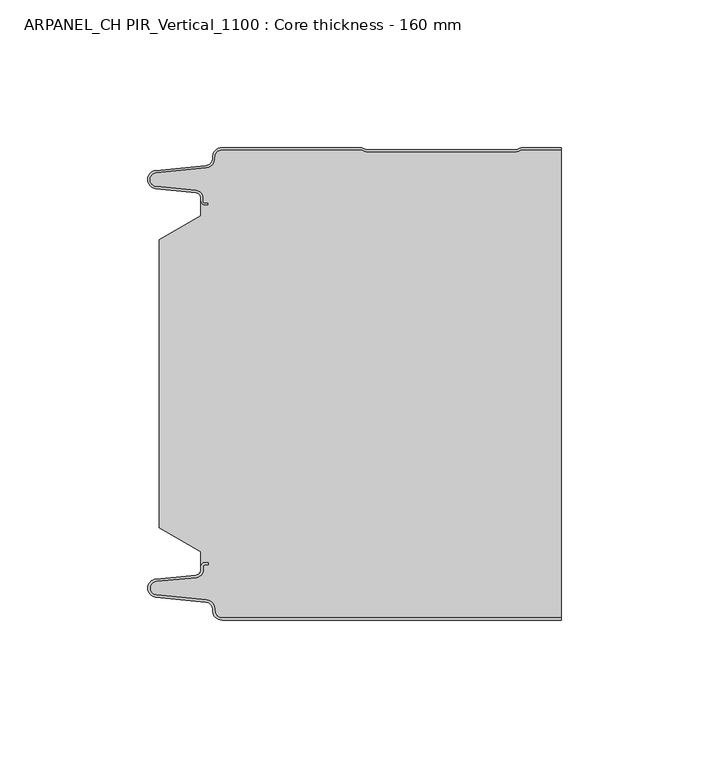
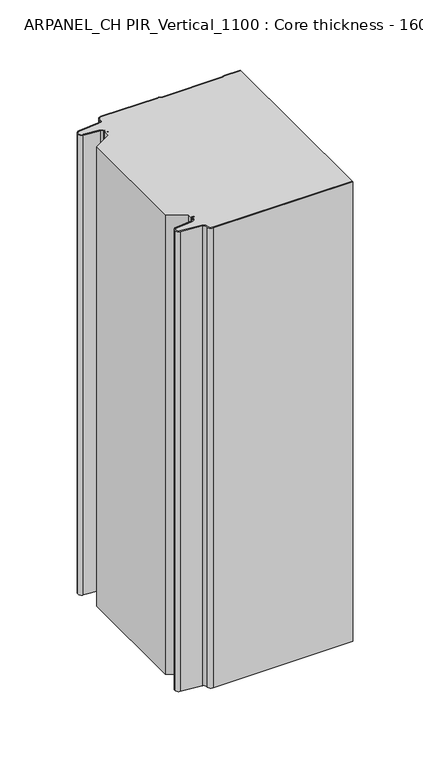
"""IFC4 building model written with IfcOpenShell, lengths in millimetres: plate geometry, ARPANEL_CH PIR_Vertical_1100 : Core thickness - 160 mm."""

import ifcopenshell
import ifcopenshell.guid

model = None  # the IFC model being written
_history = None  # IfcOwnerHistory: only IFC2X3 demands one
_inside = {}  # id of a spatial element -> (the spatial element, [elements in it])
_under = {}  # id of a project, library or spatial element -> (it, [spatial elements below it])
_declared = {}  # id of a project -> (the project, [libraries it declares])
_typed = {}  # id of a type object -> (the type object, [elements of that type])
_made_of = {}  # id of a material, layer set ... -> (it, [elements and type objects made of it])


def new_model(schema):
    """Start an empty IFC model of exactly this schema.

    Asked for "IFC4X3", IfcOpenShell would pick the latest addendum, in which some entities
    have other attributes; the version numbers below select the first issue.
    IFC2X3 requires an IfcOwnerHistory on every rooted entity: one is made here for all.
    """
    global model, _history
    if schema == "IFC4X3":
        model = ifcopenshell.file(schema_version=(4, 3, 0, 0))
    else:
        model = ifcopenshell.file(schema=schema)
    _inside.clear()
    _under.clear()
    _declared.clear()
    _typed.clear()
    _made_of.clear()
    _history = None
    if model.schema == "IFC2X3":
        org = make("IfcOrganization", Name="unknown")
        user = make(
            "IfcPersonAndOrganization",
            ThePerson=make("IfcPerson", FamilyName="unknown"),
            TheOrganization=org,
        )
        app = make(
            "IfcApplication",
            ApplicationDeveloper=org,
            Version="unknown",
            ApplicationFullName="unknown",
            ApplicationIdentifier="unknown",
        )
        _history = make(
            "IfcOwnerHistory",
            OwningUser=user,
            OwningApplication=app,
            ChangeAction="ADDED",
            CreationDate=0,
        )
    return model


def make(cls, **values):
    """One entity of the class cls with the attributes given. An attribute that is None is left unset."""
    return model.create_entity(
        cls, **{name: value for name, value in values.items() if value is not None}
    )


def rooted(cls, **values):
    """An entity with a GlobalId (a new one), such as an element, a storey or a relation."""
    return make(cls, GlobalId=ifcopenshell.guid.new(), OwnerHistory=_history, **values)


def si_unit(unit_type, name, prefix=None):
    """IfcSIUnit, for example si_unit("LENGTHUNIT", "METRE", prefix="MILLI")."""
    return make("IfcSIUnit", UnitType=unit_type, Prefix=prefix, Name=name)


def assignment(units):
    """IfcUnitAssignment: the units of a project."""
    return None if units is None else make("IfcUnitAssignment", Units=units)


def point(xyz):
    """IfcCartesianPoint."""
    return None if xyz is None else make("IfcCartesianPoint", Coordinates=xyz)


def direction(xyz):
    """IfcDirection."""
    return None if xyz is None else make("IfcDirection", DirectionRatios=xyz)


def frame(location, z_axis=None, x_axis=None):
    """IfcAxis2Placement3D, a coordinate frame: its origin and axes. An axis left out is left unset."""
    return make(
        "IfcAxis2Placement3D",
        Location=point(location),
        Axis=direction(z_axis),
        RefDirection=direction(x_axis),
    )


def origin():
    """The frame at (0, 0, 0) with its axes left unset."""
    return frame((0.0, 0.0, 0.0))


def place(relative_to, where):
    """IfcLocalPlacement: puts the frame where relative to a parent placement (None: the world)."""
    return make(
        "IfcLocalPlacement", PlacementRelTo=relative_to, RelativePlacement=where
    )


def context(
    kind, dimensions, precision=None, world=None, true_north=None, identifier=None
):
    """IfcGeometricRepresentationContext, for example the 3D "Model" context."""
    return make(
        "IfcGeometricRepresentationContext",
        ContextIdentifier=identifier,
        ContextType=kind,
        CoordinateSpaceDimension=dimensions,
        Precision=precision,
        WorldCoordinateSystem=world,
        TrueNorth=true_north,
    )


def project(units=None, contexts=None):
    """IfcProject with its units and contexts."""
    return rooted(
        "IfcProject",
        Name="project",
        RepresentationContexts=contexts,
        UnitsInContext=assignment(units),
    )


def spatial(cls, under=None, at=None, **own):
    """A site, building, storey or space (cls), placed at a placement, below another one or the project."""
    s = rooted(cls, ObjectPlacement=at, **own)
    if under is not None:
        _under.setdefault(under.id(), (under, []))[1].append(s)
    return s


def polyline(points):
    """IfcPolyline through the points."""
    return make("IfcPolyline", Points=[point(p) for p in points])


def circle_curve(where, radius):
    """IfcCircle in the frame where."""
    return make("IfcCircle", Position=where, Radius=radius)


def shape(context_of_items, identifier, shape_type, items):
    """IfcShapeRepresentation: the items that make up one representation, for example the "Body"."""
    return make(
        "IfcShapeRepresentation",
        ContextOfItems=context_of_items,
        RepresentationIdentifier=identifier,
        RepresentationType=shape_type,
        Items=items,
    )


def source(mapping_origin, context_of_items, identifier, shape_type, items):
    """IfcRepresentationMap: a shape defined once, which mapped items show again and again."""
    return make(
        "IfcRepresentationMap",
        MappingOrigin=mapping_origin,
        MappedRepresentation=shape(context_of_items, identifier, shape_type, items),
    )


def transform(
    local_origin,
    x_axis=None,
    y_axis=None,
    z_axis=None,
    scale=None,
    scale2=None,
    scale3=None,
    uniform=True,
):
    """IfcCartesianTransformationOperator3D, or its non-uniform kind. x_axis, y_axis, z_axis: its Axis1, 2, 3."""
    if uniform:
        return make(
            "IfcCartesianTransformationOperator3D",
            Axis1=direction(x_axis),
            Axis2=direction(y_axis),
            LocalOrigin=point(local_origin),
            Scale=scale,
            Axis3=direction(z_axis),
        )
    return make(
        "IfcCartesianTransformationOperator3DnonUniform",
        Axis1=direction(x_axis),
        Axis2=direction(y_axis),
        LocalOrigin=point(local_origin),
        Scale=scale,
        Axis3=direction(z_axis),
        Scale2=scale2,
        Scale3=scale3,
    )


def mapped(mapping_source, mapping_target):
    """IfcMappedItem: shows the shape of a source again, moved by a transform."""
    return make(
        "IfcMappedItem", MappingSource=mapping_source, MappingTarget=mapping_target
    )


def made_of(thing, what):
    """Note that an element or type object is made of a material, layer set ...; save() writes the relation."""
    if what is not None:
        _made_of.setdefault(what.id(), (what, []))[1].append(thing)
    return thing


def element(
    cls,
    number,
    at=None,
    inside=None,
    cuts=None,
    type_object=None,
    material=None,
    context=None,
    identifier="Body",
    shape_type=None,
    held_by="IfcProductDefinitionShape",
    body=None,
    shapes=None,
    **own,
):
    """One element of the class cls, such as IfcWall. Its Tag is "e" and its number.

    at: its placement. inside: the storey or other place that contains it. cuts: it is an
    opening in that element (IfcRelVoidsElement). A single representation is given by context,
    identifier, shape_type and body (its items); several are given by shapes. held_by: the class
    of the entity that holds the representations. save() writes the other relations.
    """
    e = rooted(cls, Tag="e%d" % number, ObjectPlacement=at, **own)
    if body is not None:
        shapes = [shape(context, identifier, shape_type, body)]
    if shapes is not None:
        e.Representation = make(held_by, Representations=shapes)
    if inside is not None:
        _inside.setdefault(inside.id(), (inside, []))[1].append(e)
    if cuts is not None:
        rooted(
            "IfcRelVoidsElement", RelatingBuildingElement=cuts, RelatedOpeningElement=e
        )
    if type_object is not None:
        _typed.setdefault(type_object.id(), (type_object, []))[1].append(e)
    return made_of(e, material)


def aggregate(whole, parts):
    """IfcRelAggregates: a whole, such as a stair, and the parts it consists of."""
    return rooted("IfcRelAggregates", RelatingObject=whole, RelatedObjects=parts)


def save(model, path):
    """Write the relations noted so far, then the file.

    IfcRelAggregates (storeys below a building ...), IfcRelContainedInSpatialStructure (elements
    in a storey), IfcRelDefinesByType, IfcRelAssociatesMaterial and IfcRelDeclares: one each for
    every whole, place, type object, material and project.
    """
    for whole, parts in _under.values():
        aggregate(whole, parts)
    for where, things in _inside.values():
        rooted(
            "IfcRelContainedInSpatialStructure",
            RelatedElements=things,
            RelatingStructure=where,
        )
    for kind, things in _typed.values():
        rooted("IfcRelDefinesByType", RelatedObjects=things, RelatingType=kind)
    for what, things in _made_of.values():
        rooted("IfcRelAssociatesMaterial", RelatedObjects=things, RelatingMaterial=what)
    for by, libraries in _declared.values():
        rooted("IfcRelDeclares", RelatingContext=by, RelatedDefinitions=libraries)
    model.write(path)


def plane_surface(at):
    """IfcPlane: the flat surface through the origin of the frame at, square to its z axis."""
    return make("IfcPlane", Position=at)


def cylinder_surface(at, radius):
    """IfcCylindricalSurface: all points at the distance radius from the z axis of the frame at."""
    return make("IfcCylindricalSurface", Position=at, Radius=radius)


def revolved_surface(curve, axis_point, axis_direction):
    """IfcSurfaceOfRevolution: the curve turned about the line through axis_point along axis_direction."""
    return make(
        "IfcSurfaceOfRevolution",
        SweptCurve=make("IfcArbitraryOpenProfileDef", ProfileType="CURVE", Curve=curve),
        AxisPosition=make("IfcAxis1Placement", Location=point(axis_point), Axis=direction(axis_direction)),
    )


def advanced_brep(points, edges, surfaces, faces):
    """IfcAdvancedBrep: a solid bounded by faces that lie on surfaces and meet in shared edges.

    An edge is (start, end): straight between two places in points (the first is 0);
    or (start, end, curve); or (start, end, curve, False) where it runs against its curve.
    A face is (place in surfaces, loops), or (place, loops, False) where it looks against
    its surface's normal. A loop lists edges by number (the first is 1), with a minus sign
    where the edge is run from its end to its start. The first loop is the outer one.
    """
    corners = [point(p) for p in points]
    vertices = [make("IfcVertexPoint", VertexGeometry=c) for c in corners]
    made = []
    for start, end, *more in edges:
        made.append(
            make(
                "IfcEdgeCurve",
                EdgeStart=vertices[start],
                EdgeEnd=vertices[end],
                EdgeGeometry=more[0] if more else make("IfcPolyline", Points=[corners[start], corners[end]]),
                SameSense=more[1] if len(more) > 1 else True,
            )
        )
    hull = []
    for where, loops, *sense in faces:
        bounds = []
        for j, loop in enumerate(loops):
            ring = [make("IfcOrientedEdge", EdgeElement=made[abs(k) - 1], Orientation=k > 0) for k in loop]
            bounds.append(
                make(
                    "IfcFaceOuterBound" if j == 0 else "IfcFaceBound",
                    Bound=make("IfcEdgeLoop", EdgeList=ring),
                    Orientation=True,
                )
            )
        hull.append(make("IfcAdvancedFace", Bounds=bounds, FaceSurface=surfaces[where], SameSense=sense[0] if sense else True))
    return make("IfcAdvancedBrep", Outer=make("IfcClosedShell", CfsFaces=hull))


def arpanel_ch_pir_vertical_1100_core_thickness_160_mm_b339f957(model_context):
    return source(origin(), model_context, "Body", "AdvancedBrep", [
        advanced_brep(
        [(-44.8000003, -159.9996949, 0.0), (-47.9923632, -156.5787437, 0.0), (-50.2560431, -153.9171154, 0.0), (-67.2115315, -152.2546153, 0.0), (-69.9999998, -149.1776715, 0.0), (-67.2115315, -146.1007278, 0.0), (-53.6195785, -144.7680252, 0.0), (-51.9952277, -142.9766159, 0.0), (-51.9952277, -141.8996949, 0.0), (-50.5952277, -140.4996949, 0.0), (-49.4952277, -140.4996949, 0.0), (-49.4952277, -141.2996949, 0.0), (-50.5952277, -141.2996949, 0.0), (-51.1952277, -141.8996949, 0.0), (-51.1952277, -142.9766159, 0.0), (-53.5415122, -145.5642071, 0.0), (-67.1334652, -146.8969097, 0.0), (-69.1999997, -149.1776715, 0.0), (-67.1334652, -151.4584333, 0.0), (-50.1779767, -153.1209335, 0.0), (-47.2078761, -156.6330399, 0.0), (-44.8000003, -159.1996949, 0.0), (69.9999998, -159.2, 0.0), (69.9999998, -159.9996949, 0.0), (-44.8000003, -159.1996949, 400.0), (-47.1942724, -156.6339815, 400.0), (-50.1779767, -153.1209335, 400.0), (-67.1334652, -151.4584333, 400.0), (-69.1999997, -149.1776715, 400.0), (-67.1334652, -146.8969097, 400.0), (-53.5415122, -145.5642071, 400.0), (-51.1952277, -142.9766159, 400.0), (-51.1952277, -141.8996949, 400.0), (-50.5952277, -141.2996949, 400.0), (-49.4952277, -141.2996949, 400.0), (-49.4952277, -140.4996949, 400.0), (-50.5952277, -140.4996949, 400.0), (-51.9952277, -141.8996949, 400.0), (-51.9952277, -142.9766159, 400.0), (-53.6195785, -144.7680252, 400.0), (-67.2115315, -146.1007278, 400.0), (-69.9999998, -149.1776715, 400.0), (-67.2115315, -152.2546153, 400.0), (-50.2560431, -153.9171154, 400.0), (-48.0059668, -156.5778021, 400.0), (-44.8000003, -159.9996949, 400.0), (69.9999998, -159.9996949, 400.0), (69.9999998, -159.2, 400.0)],
        [
            (0, 1, circle_curve(frame((-44.8000003, -156.7996949, 0.0), z_axis=(0.0, 0.0, -1.0), x_axis=(1.0, 0.0, 0.0)), 3.2)),
            (1, 2, circle_curve(frame((-50.5000003, -156.4051839, 0.0), z_axis=(0.0, 0.0, 1.0), x_axis=(1.0, 0.0, 0.0)), 2.5)),
            (2, 3),
            (3, 4, circle_curve(frame((-66.9100003, -149.1793626, 0.0), z_axis=(0.0, 0.0, -1.0), x_axis=(1.0, 0.0, 0.0)), 3.09)),
            (4, 5, circle_curve(frame((-66.9100003, -149.1759805, 0.0), z_axis=(0.0, 0.0, -1.0), x_axis=(1.0, 0.0, 0.0)), 3.09)),
            (5, 6),
            (6, 7, circle_curve(frame((-53.7952277, -142.9766159, 0.0), z_axis=(0.0, 0.0, 1.0), x_axis=(1.0, 0.0, 0.0)), 1.8)),
            (7, 8),
            (8, 9, circle_curve(frame((-50.5952277, -141.8996949, 0.0), z_axis=(0.0, 0.0, -1.0), x_axis=(1.0, 0.0, 0.0)), 1.4)),
            (9, 10),
            (10, 11),
            (11, 12),
            (12, 13, circle_curve(frame((-50.5952277, -141.8996949, 0.0), z_axis=(0.0, 0.0, 1.0), x_axis=(1.0, 0.0, 0.0)), 0.6)),
            (13, 14),
            (14, 15, circle_curve(frame((-53.7952277, -142.9766159, 0.0), z_axis=(0.0, 0.0, -1.0), x_axis=(1.0, 0.0, 0.0)), 2.6)),
            (15, 16),
            (16, 17, circle_curve(frame((-66.9100003, -149.1759805, 0.0), z_axis=(0.0, 0.0, 1.0), x_axis=(1.0, 0.0, 0.0)), 2.29)),
            (17, 18, circle_curve(frame((-66.9100003, -149.1793626, 0.0), z_axis=(0.0, 0.0, 1.0), x_axis=(1.0, 0.0, 0.0)), 2.29)),
            (18, 19),
            (19, 20, circle_curve(frame((-50.5000003, -156.4051839, 0.0), z_axis=(0.0, 0.0, -1.0), x_axis=(1.0, 0.0, 0.0)), 3.3)),
            (20, 21, circle_curve(frame((-44.8000003, -156.7996949, 0.0), z_axis=(0.0, 0.0, 1.0), x_axis=(1.0, 0.0, 0.0)), 2.4)),
            (21, 22),
            (22, 23),
            (23, 0),
            (24, 25, circle_curve(frame((-44.8000003, -156.7996949, 400.0), z_axis=(0.0, 0.0, -1.0), x_axis=(1.0, 0.0, 0.0)), 2.4)),
            (25, 26, circle_curve(frame((-50.5000003, -156.4051839, 400.0), z_axis=(0.0, 0.0, 1.0), x_axis=(1.0, 0.0, 0.0)), 3.3)),
            (26, 27),
            (27, 28, circle_curve(frame((-66.9100003, -149.1793626, 400.0), z_axis=(0.0, 0.0, -1.0), x_axis=(1.0, 0.0, 0.0)), 2.29)),
            (28, 29, circle_curve(frame((-66.9100003, -149.1759805, 400.0), z_axis=(0.0, 0.0, -1.0), x_axis=(1.0, 0.0, 0.0)), 2.29)),
            (29, 30),
            (30, 31, circle_curve(frame((-53.7952277, -142.9766159, 400.0), z_axis=(0.0, 0.0, 1.0), x_axis=(1.0, 0.0, 0.0)), 2.6)),
            (31, 32),
            (32, 33, circle_curve(frame((-50.5952277, -141.8996949, 400.0), z_axis=(0.0, 0.0, -1.0), x_axis=(1.0, 0.0, 0.0)), 0.6)),
            (33, 34),
            (34, 35),
            (35, 36),
            (36, 37, circle_curve(frame((-50.5952277, -141.8996949, 400.0), z_axis=(0.0, 0.0, 1.0), x_axis=(1.0, 0.0, 0.0)), 1.4)),
            (37, 38),
            (38, 39, circle_curve(frame((-53.7952277, -142.9766159, 400.0), z_axis=(0.0, 0.0, -1.0), x_axis=(1.0, 0.0, 0.0)), 1.8)),
            (39, 40),
            (40, 41, circle_curve(frame((-66.9100003, -149.1759805, 400.0), z_axis=(0.0, 0.0, 1.0), x_axis=(1.0, 0.0, 0.0)), 3.09)),
            (41, 42, circle_curve(frame((-66.9100003, -149.1793626, 400.0), z_axis=(0.0, 0.0, 1.0), x_axis=(1.0, 0.0, 0.0)), 3.09)),
            (42, 43),
            (43, 44, circle_curve(frame((-50.5000003, -156.4051839, 400.0), z_axis=(0.0, 0.0, -1.0), x_axis=(1.0, 0.0, 0.0)), 2.5)),
            (44, 45, circle_curve(frame((-44.8000003, -156.7996949, 400.0), z_axis=(0.0, 0.0, 1.0), x_axis=(1.0, 0.0, 0.0)), 3.2)),
            (45, 46),
            (46, 47),
            (47, 24),
            (21, 24),
            (47, 22),
            (20, 25),
            (19, 26),
            (18, 27),
            (17, 28),
            (16, 29),
            (15, 30),
            (14, 31),
            (13, 32),
            (12, 33),
            (11, 34),
            (10, 35),
            (9, 36),
            (8, 37),
            (7, 38),
            (6, 39),
            (5, 40),
            (4, 41),
            (3, 42),
            (2, 43),
            (1, 44),
            (0, 45),
            (23, 46),
        ],
        [
            plane_surface(frame((-69.9999998, -160.0, 0.0), z_axis=(0.0, 0.0, -1.0), x_axis=(0.0, 1.0, 0.0))),
            plane_surface(frame((-69.9999998, -160.0, 400.0), z_axis=(0.0, 0.0, 1.0), x_axis=(0.0, 1.0, 0.0))),
            plane_surface(frame((-44.8000003, -159.2, 0.0), z_axis=(0.0, 1.0, 0.0), x_axis=(0.0, 0.0, 1.0))),
            revolved_surface(polyline([(-42.4000003, -156.7996949, 400.0), (-42.4000003, -156.7996949, 0.0)]), (-44.8000003, -156.7996949, 0.0), (0.0, 0.0, 1.0)),
            cylinder_surface(frame((-50.5000003, -156.4051839, 0.0), z_axis=(0.0, 0.0, -1.0), x_axis=(1.0, 0.0, 0.0)), 3.3),
            plane_surface(frame((-67.1334652, -151.4584333, 0.0), z_axis=(0.09758289975914758, 0.9952273999818314, 0.0), x_axis=(0.0, 0.0, 1.0))),
            revolved_surface(polyline([(-64.62000029999999, -149.1793626, 400.0), (-64.62000029999999, -149.1793626, 0.0)]), (-66.9100003, -149.1793626, 0.0), (0.0, 0.0, 1.0)),
            revolved_surface(polyline([(-64.62000029999999, -149.1759805, 400.0), (-64.62000029999999, -149.1759805, 0.0)]), (-66.9100003, -149.1759805, 0.0), (0.0, 0.0, 1.0)),
            plane_surface(frame((-53.5415122, -145.5642071, 0.0), z_axis=(0.09758289975914383, -0.9952273999818317, 0.0), x_axis=(0.0, 0.0, 1.0))),
            cylinder_surface(frame((-53.7952277, -142.9766159, 0.0), z_axis=(0.0, 0.0, -1.0), x_axis=(1.0, 0.0, 0.0)), 2.6),
            plane_surface(frame((-51.1952277, -141.8996949, 0.0), z_axis=(1.0, 0.0, 0.0), x_axis=(0.0, 0.0, 1.0))),
            revolved_surface(polyline([(-49.9952277, -141.8996949, 400.0), (-49.9952277, -141.8996949, 0.0)]), (-50.5952277, -141.8996949, 0.0), (0.0, 0.0, 1.0)),
            plane_surface(frame((-49.4952277, -141.2996949, 0.0), z_axis=(0.0, -1.0, 0.0), x_axis=(0.0, 0.0, 1.0))),
            plane_surface(frame((-49.4952277, -140.4996949, 0.0), z_axis=(1.0, 0.0, 0.0), x_axis=(0.0, 0.0, 1.0))),
            plane_surface(frame((-50.5952277, -140.4996949, 0.0), z_axis=(0.0, 1.0, 0.0), x_axis=(0.0, 0.0, 1.0))),
            cylinder_surface(frame((-50.5952277, -141.8996949, 0.0), z_axis=(0.0, 0.0, -1.0), x_axis=(1.0, 0.0, 0.0)), 1.4),
            plane_surface(frame((-51.9952277, -142.9766159, 0.0), z_axis=(-1.0, 0.0, 0.0), x_axis=(0.0, 0.0, 1.0))),
            revolved_surface(polyline([(-51.9952277, -142.9766159, 400.0), (-51.9952277, -142.9766159, 0.0)]), (-53.7952277, -142.9766159, 0.0), (0.0, 0.0, 1.0)),
            plane_surface(frame((-67.2115315, -146.1007278, 0.0), z_axis=(-0.09758289975914387, 0.9952273999818317, 0.0), x_axis=(0.0, 0.0, 1.0))),
            cylinder_surface(frame((-66.9100003, -149.1759805, 0.0), z_axis=(0.0, 0.0, -1.0), x_axis=(1.0, 0.0, 0.0)), 3.09),
            cylinder_surface(frame((-66.9100003, -149.1793626, 0.0), z_axis=(0.0, 0.0, -1.0), x_axis=(1.0, 0.0, 0.0)), 3.09),
            plane_surface(frame((-50.2560431, -153.9171154, 0.0), z_axis=(-0.09758289975914762, -0.9952273999818314, 0.0), x_axis=(0.0, 0.0, 1.0))),
            revolved_surface(polyline([(-48.0000003, -156.4051839, 400.0), (-48.0000003, -156.4051839, 0.0)]), (-50.5000003, -156.4051839, 0.0), (0.0, 0.0, 1.0)),
            cylinder_surface(frame((-44.8000003, -156.7996949, 0.0), z_axis=(0.0, 0.0, -1.0), x_axis=(1.0, 0.0, 0.0)), 3.2),
            plane_surface(frame((1046.009932, -159.9996949, 0.0), z_axis=(0.0, -1.0, 0.0), x_axis=(0.0, 0.0, 1.0))),
            plane_surface(frame((69.9999998, 180.0, 400.0), z_axis=(1.0, 0.0, 0.0), x_axis=(0.0, 0.0, -1.0))),
        ],
        [
            (0, [[1, 2, 3, 4, 5, 6, 7, 8, 9, 10, 11, 12, 13, 14, 15, 16, 17, 18, 19, 20, 21, 22, 23, 24]]),
            (1, [[25, 26, 27, 28, 29, 30, 31, 32, 33, 34, 35, 36, 37, 38, 39, 40, 41, 42, 43, 44, 45, 46, 47, 48]]),
            (2, [[49, -48, 50, -22]]),
            (3, [[-21, 51, -25, -49]]),
            (4, [[-20, 52, -26, -51]]),
            (5, [[-19, 53, -27, -52]]),
            (6, [[-18, 54, -28, -53]]),
            (7, [[-17, 55, -29, -54]]),
            (8, [[-16, 56, -30, -55]]),
            (9, [[-15, 57, -31, -56]]),
            (10, [[-14, 58, -32, -57]]),
            (11, [[-13, 59, -33, -58]]),
            (12, [[-12, 60, -34, -59]]),
            (13, [[-11, 61, -35, -60]]),
            (14, [[-10, 62, -36, -61]]),
            (15, [[-9, 63, -37, -62]]),
            (16, [[-8, 64, -38, -63]]),
            (17, [[-7, 65, -39, -64]]),
            (18, [[-6, 66, -40, -65]]),
            (19, [[-5, 67, -41, -66]]),
            (20, [[-4, 68, -42, -67]]),
            (21, [[-3, 69, -43, -68]]),
            (22, [[-2, 70, -44, -69]]),
            (23, [[-1, 71, -45, -70]]),
            (24, [[-71, -24, 72, -46]]),
            (25, [[-23, -50, -47, -72]]),
        ],
    ),
        advanced_brep(
        [(-51.9952277, -23.1062917, 400.0), (-66.0446509, -31.1628062, 400.0), (-66.0446509, -128.7531937, 400.0), (-51.9952277, -136.8937083, 400.0), (-51.9952277, -140.4996949, 400.0), (-51.9952277, -141.8996949, 400.0), (-50.5952277, -140.4996949, 400.0), (-49.4952277, -140.4996949, 400.0), (-49.4952277, -141.2996949, 400.0), (-50.5952277, -141.2996949, 400.0), (-51.1952277, -141.8996949, 400.0), (-51.1952277, -142.9766159, 400.0), (-53.5415122, -145.5642071, 400.0), (-67.1334652, -146.8969097, 400.0), (-69.1999997, -149.1776715, 400.0), (-67.1334652, -151.4584333, 400.0), (-50.1779767, -153.1209335, 400.0), (-47.2078761, -156.6330399, 400.0), (-44.8000003, -159.1996949, 400.0), (69.9999998, -159.2, 400.0), (69.9999998, -0.8, 400.0), (57.0487965, -0.8, 400.0), (55.9973806, -1.0986697, 400.0), (54.5769997, -1.5003051, 400.0), (4.4172165, -1.5003051, 400.0), (2.9978051, -1.0971009, 400.0), (1.9454197, -0.8, 400.0), (-44.8000003, -0.8, 400.0), (-47.1942724, -3.3660185, 400.0), (-50.1779767, -6.8790665, 400.0), (-67.1334652, -8.5415667, 400.0), (-69.1999997, -10.8223285, 400.0), (-67.1334652, -13.1030903, 400.0), (-53.5415122, -14.4357929, 400.0), (-51.1952277, -17.0233841, 400.0), (-51.1952277, -18.1003051, 400.0), (-50.5952277, -18.7003051, 400.0), (-49.4952277, -18.7003051, 400.0), (-49.4952277, -19.5003051, 400.0), (-50.5952277, -19.5003051, 400.0), (-51.9952277, -18.1003051, 400.0), (-51.9952277, -19.5003051, 400.0), (-51.9952277, -136.8937083, 0.0), (-66.0446509, -128.7531937, 0.0), (-66.0446509, -31.1628062, 0.0), (-51.9952277, -23.1062917, 0.0), (-51.9952277, -19.5003051, 0.0), (-51.9952277, -18.1003051, 0.0), (-50.5952277, -19.5003051, 0.0), (-49.4952277, -19.5003051, 0.0), (-49.4952277, -18.7003051, 0.0), (-50.5952277, -18.7003051, 0.0), (-51.1952277, -18.1003051, 0.0), (-51.1952277, -17.0233841, 0.0), (-53.5415122, -14.4357929, 0.0), (-67.1334652, -13.1030903, 0.0), (-69.1999997, -10.8223285, 0.0), (-67.1334652, -8.5415667, 0.0), (-50.1779767, -6.8790665, 0.0), (-47.2078761, -3.3669601, 0.0), (-44.8000003, -0.8003051, 0.0), (1.9454197, -0.8, 0.0), (2.9968355, -1.0986697, 0.0), (4.4172165, -1.5003051, 0.0), (54.5769997, -1.5003051, 0.0), (55.9964111, -1.0971009, 0.0), (57.0487965, -0.8, 0.0), (69.9999998, -0.8, 0.0), (69.9999998, -159.2, 0.0), (-44.8000003, -159.2, 0.0), (-47.1942724, -156.6339815, 0.0), (-50.1779767, -153.1209335, 0.0), (-67.1334652, -151.4584333, 0.0), (-69.1999997, -149.1776715, 0.0), (-67.1334652, -146.8969097, 0.0), (-53.5415122, -145.5642071, 0.0), (-51.1952277, -142.9766159, 0.0), (-51.1952277, -141.8996949, 0.0), (-50.5952277, -141.2996949, 0.0), (-49.4952277, -141.2996949, 0.0), (-49.4952277, -140.4996949, 0.0), (-50.5952277, -140.4996949, 0.0), (-51.9952277, -141.8996949, 0.0), (-51.9952277, -140.4996949, 0.0)],
        [
            (0, 1),
            (1, 2),
            (2, 3),
            (3, 4),
            (4, 5),
            (5, 6, circle_curve(frame((-50.5952277, -141.8996949, 400.0), z_axis=(0.0, 0.0, -1.0), x_axis=(1.0, 0.0, 0.0)), 1.4)),
            (6, 7),
            (7, 8),
            (8, 9),
            (9, 10, circle_curve(frame((-50.5952277, -141.8996949, 400.0), z_axis=(0.0, 0.0, 1.0), x_axis=(1.0, 0.0, 0.0)), 0.6)),
            (10, 11),
            (11, 12, circle_curve(frame((-53.7952277, -142.9766159, 400.0), z_axis=(0.0, 0.0, -1.0), x_axis=(1.0, 0.0, 0.0)), 2.6)),
            (12, 13),
            (13, 14, circle_curve(frame((-66.9100003, -149.1759805, 400.0), z_axis=(0.0, 0.0, 1.0), x_axis=(1.0, 0.0, 0.0)), 2.29)),
            (14, 15, circle_curve(frame((-66.9100003, -149.1793626, 400.0), z_axis=(0.0, 0.0, 1.0), x_axis=(1.0, 0.0, 0.0)), 2.29)),
            (15, 16),
            (16, 17, circle_curve(frame((-50.5000003, -156.4051839, 400.0), z_axis=(0.0, 0.0, -1.0), x_axis=(1.0, 0.0, 0.0)), 3.3)),
            (17, 18, circle_curve(frame((-44.8000003, -156.7996949, 400.0), z_axis=(0.0, 0.0, 1.0), x_axis=(1.0, 0.0, 0.0)), 2.4)),
            (18, 19),
            (19, 20),
            (20, 21),
            (21, 22, circle_curve(frame((57.0487965, -2.8, 400.0), z_axis=(0.0, 0.0, 1.0), x_axis=(1.0, 0.0, 0.0)), 2.0)),
            (22, 23, circle_curve(frame((54.5769997, 1.1996949, 400.0), z_axis=(0.0, 0.0, -1.0), x_axis=(1.0, 0.0, 0.0)), 2.7)),
            (23, 24),
            (24, 25, circle_curve(frame((4.4172165, 1.1996949, 400.0), z_axis=(0.0, 0.0, -1.0), x_axis=(1.0, 0.0, 0.0)), 2.7)),
            (25, 26, circle_curve(frame((1.9454197, -2.8, 400.0), z_axis=(0.0, 0.0, 1.0), x_axis=(1.0, 0.0, 0.0)), 2.0)),
            (26, 27),
            (27, 28, circle_curve(frame((-44.8000003, -3.2003051, 400.0), z_axis=(0.0, 0.0, 1.0), x_axis=(1.0, 0.0, 0.0)), 2.4)),
            (28, 29, circle_curve(frame((-50.5000003, -3.5948161, 400.0), z_axis=(0.0, 0.0, -1.0), x_axis=(1.0, 0.0, 0.0)), 3.3)),
            (29, 30),
            (30, 31, circle_curve(frame((-66.9100003, -10.8206374, 400.0), z_axis=(0.0, 0.0, 1.0), x_axis=(1.0, 0.0, 0.0)), 2.29)),
            (31, 32, circle_curve(frame((-66.9100003, -10.8240195, 400.0), z_axis=(0.0, 0.0, 1.0), x_axis=(1.0, 0.0, 0.0)), 2.29)),
            (32, 33),
            (33, 34, circle_curve(frame((-53.7952277, -17.0233841, 400.0), z_axis=(0.0, 0.0, -1.0), x_axis=(1.0, 0.0, 0.0)), 2.6)),
            (34, 35),
            (35, 36, circle_curve(frame((-50.5952277, -18.1003051, 400.0), z_axis=(0.0, 0.0, 1.0), x_axis=(1.0, 0.0, 0.0)), 0.6)),
            (36, 37),
            (37, 38),
            (38, 39),
            (39, 40, circle_curve(frame((-50.5952277, -18.1003051, 400.0), z_axis=(0.0, 0.0, -1.0), x_axis=(1.0, 0.0, 0.0)), 1.4)),
            (40, 41),
            (41, 0),
            (42, 43),
            (43, 44),
            (44, 45),
            (45, 46),
            (46, 47),
            (47, 48, circle_curve(frame((-50.5952277, -18.1003051, 0.0), z_axis=(0.0, 0.0, 1.0), x_axis=(1.0, 0.0, 0.0)), 1.4)),
            (48, 49),
            (49, 50),
            (50, 51),
            (51, 52, circle_curve(frame((-50.5952277, -18.1003051, 0.0), z_axis=(0.0, 0.0, -1.0), x_axis=(1.0, 0.0, 0.0)), 0.6)),
            (52, 53),
            (53, 54, circle_curve(frame((-53.7952277, -17.0233841, 0.0), z_axis=(0.0, 0.0, 1.0), x_axis=(1.0, 0.0, 0.0)), 2.6)),
            (54, 55),
            (55, 56, circle_curve(frame((-66.9100003, -10.8240195, 0.0), z_axis=(0.0, 0.0, -1.0), x_axis=(1.0, 0.0, 0.0)), 2.29)),
            (56, 57, circle_curve(frame((-66.9100003, -10.8206374, 0.0), z_axis=(0.0, 0.0, -1.0), x_axis=(1.0, 0.0, 0.0)), 2.29)),
            (57, 58),
            (58, 59, circle_curve(frame((-50.5000003, -3.5948161, 0.0), z_axis=(0.0, 0.0, 1.0), x_axis=(1.0, 0.0, 0.0)), 3.3)),
            (59, 60, circle_curve(frame((-44.8000003, -3.2003051, 0.0), z_axis=(0.0, 0.0, -1.0), x_axis=(1.0, 0.0, 0.0)), 2.4)),
            (60, 61),
            (61, 62, circle_curve(frame((1.9454197, -2.8, 0.0), z_axis=(0.0, 0.0, -1.0), x_axis=(1.0, 0.0, 0.0)), 2.0)),
            (62, 63, circle_curve(frame((4.4172165, 1.1996949, 0.0), z_axis=(0.0, 0.0, 1.0), x_axis=(1.0, 0.0, 0.0)), 2.7)),
            (63, 64),
            (64, 65, circle_curve(frame((54.5769997, 1.1996949, 0.0), z_axis=(0.0, 0.0, 1.0), x_axis=(1.0, 0.0, 0.0)), 2.7)),
            (65, 66, circle_curve(frame((57.0487965, -2.8, 0.0), z_axis=(0.0, 0.0, -1.0), x_axis=(1.0, 0.0, 0.0)), 2.0)),
            (66, 67),
            (67, 68),
            (68, 69),
            (69, 70, circle_curve(frame((-44.8000003, -156.7996949, 0.0), z_axis=(0.0, 0.0, -1.0), x_axis=(1.0, 0.0, 0.0)), 2.4)),
            (70, 71, circle_curve(frame((-50.5000003, -156.4051839, 0.0), z_axis=(0.0, 0.0, 1.0), x_axis=(1.0, 0.0, 0.0)), 3.3)),
            (71, 72),
            (72, 73, circle_curve(frame((-66.9100003, -149.1793626, 0.0), z_axis=(0.0, 0.0, -1.0), x_axis=(1.0, 0.0, 0.0)), 2.29)),
            (73, 74, circle_curve(frame((-66.9100003, -149.1759805, 0.0), z_axis=(0.0, 0.0, -1.0), x_axis=(1.0, 0.0, 0.0)), 2.29)),
            (74, 75),
            (75, 76, circle_curve(frame((-53.7952277, -142.9766159, 0.0), z_axis=(0.0, 0.0, 1.0), x_axis=(1.0, 0.0, 0.0)), 2.6)),
            (76, 77),
            (77, 78, circle_curve(frame((-50.5952277, -141.8996949, 0.0), z_axis=(0.0, 0.0, -1.0), x_axis=(1.0, 0.0, 0.0)), 0.6)),
            (78, 79),
            (79, 80),
            (80, 81),
            (81, 82, circle_curve(frame((-50.5952277, -141.8996949, 0.0), z_axis=(0.0, 0.0, 1.0), x_axis=(1.0, 0.0, 0.0)), 1.4)),
            (82, 83),
            (83, 42),
            (45, 0),
            (40, 47),
            (1, 44),
            (43, 2),
            (42, 3),
            (82, 5),
            (18, 69),
            (68, 19),
            (17, 70),
            (16, 71),
            (15, 72),
            (14, 73),
            (13, 74),
            (12, 75),
            (11, 76),
            (10, 77),
            (9, 78),
            (8, 79),
            (7, 80),
            (6, 81),
            (60, 27),
            (26, 61),
            (25, 62),
            (24, 63),
            (23, 64),
            (22, 65),
            (21, 66),
            (20, 67),
            (39, 48),
            (38, 49),
            (37, 50),
            (36, 51),
            (35, 52),
            (34, 53),
            (33, 54),
            (32, 55),
            (31, 56),
            (30, 57),
            (29, 58),
            (28, 59),
        ],
        [
            plane_surface(frame((-69.9999998, 0.0, 400.0), z_axis=(0.0, 0.0, 1.0), x_axis=(0.0, -1.0, 0.0))),
            plane_surface(frame((-69.9999998, 0.0, 0.0), z_axis=(0.0, 0.0, -1.0), x_axis=(0.0, -1.0, 0.0))),
            plane_surface(frame((-51.9952277, -17.0229218, 400.0), z_axis=(-1.0, 0.0, 0.0), x_axis=(0.0, 0.0, -1.0))),
            plane_surface(frame((-66.0446509, -31.1628062, 400.0), z_axis=(-1.0, 0.0, 0.0), x_axis=(0.0, 0.0, -1.0))),
            plane_surface(frame((-51.9952277, -23.1062917, 400.0), z_axis=(-0.4974543664933155, 0.8674901459133322, 0.0), x_axis=(0.0, 0.0, -1.0))),
            plane_surface(frame((-66.0446509, -128.7531937, 400.0), z_axis=(-0.5013424225369615, -0.8652489672717159, 0.0), x_axis=(0.0, 0.0, -1.0))),
            plane_surface(frame((-51.9952277, -136.8937083, 400.0), z_axis=(-1.0, 0.0, 0.0), x_axis=(0.0, 0.0, -1.0))),
            plane_surface(frame((1046.009932, -159.2, 530.0), z_axis=(0.0, -1.0, 0.0), x_axis=(0.0, 0.0, -1.0))),
            cylinder_surface(frame((-44.8000003, -156.7996949, 530.0), z_axis=(0.0, 0.0, -1.0), x_axis=(1.0, 0.0, 0.0)), 2.4),
            revolved_surface(polyline([(-47.200000300000006, -156.4051839, 400.0), (-47.200000300000006, -156.4051839, 0.0)]), (-50.5000003, -156.4051839, 530.0), (0.0, 0.0, 1.0)),
            plane_surface(frame((-50.1779767, -153.1209335, 530.0), z_axis=(-0.09758289975914758, -0.9952273999818314, 0.0), x_axis=(0.0, 0.0, -1.0))),
            cylinder_surface(frame((-66.9100003, -149.1793626, 530.0), z_axis=(0.0, 0.0, -1.0), x_axis=(1.0, 0.0, 0.0)), 2.29),
            cylinder_surface(frame((-66.9100003, -149.1759805, 530.0), z_axis=(0.0, 0.0, -1.0), x_axis=(1.0, 0.0, 0.0)), 2.29),
            plane_surface(frame((-67.1334652, -146.8969097, 530.0), z_axis=(-0.09758289975914383, 0.9952273999818317, 0.0), x_axis=(0.0, 0.0, -1.0))),
            revolved_surface(polyline([(-51.1952277, -142.9766159, 400.0), (-51.1952277, -142.9766159, 0.0)]), (-53.7952277, -142.9766159, 530.0), (0.0, 0.0, 1.0)),
            plane_surface(frame((-51.1952277, -142.9766159, 530.0), z_axis=(-1.0, 0.0, 0.0), x_axis=(0.0, 0.0, -1.0))),
            cylinder_surface(frame((-50.5952277, -141.8996949, 530.0), z_axis=(0.0, 0.0, -1.0), x_axis=(1.0, 0.0, 0.0)), 0.6),
            plane_surface(frame((-50.5952277, -141.2996949, 530.0), z_axis=(0.0, 1.0, 0.0), x_axis=(0.0, 0.0, -1.0))),
            plane_surface(frame((-49.4952277, -141.2996949, 530.0), z_axis=(-1.0, 0.0, 0.0), x_axis=(0.0, 0.0, -1.0))),
            plane_surface(frame((-49.4952277, -140.4996949, 530.0), z_axis=(0.0, -1.0, 0.0), x_axis=(0.0, 0.0, -1.0))),
            revolved_surface(polyline([(-49.195227700000004, -141.8996949, 400.0), (-49.195227700000004, -141.8996949, 0.0)]), (-50.5952277, -141.8996949, 530.0), (0.0, 0.0, 1.0)),
            plane_surface(frame((-44.8000003, -0.8, 530.0), z_axis=(0.0, 1.0, 0.0), x_axis=(0.0, 0.0, -1.0))),
            cylinder_surface(frame((1.9454197, -2.8, 530.0), z_axis=(0.0, 0.0, -1.0), x_axis=(1.0, 0.0, 0.0)), 2.0),
            revolved_surface(polyline([(7.1172165000000005, 1.1996949, 400.0), (7.1172165000000005, 1.1996949, 0.0)]), (4.4172165, 1.1996949, 530.0), (0.0, 0.0, 1.0)),
            plane_surface(frame((4.4172165, -1.5003051, 530.0), z_axis=(0.0, 1.0, 0.0), x_axis=(0.0, 0.0, -1.0))),
            revolved_surface(polyline([(57.276999700000005, 1.1996949, 400.0), (57.276999700000005, 1.1996949, 0.0)]), (54.5769997, 1.1996949, 530.0), (0.0, 0.0, 1.0)),
            cylinder_surface(frame((57.0487965, -2.8, 530.0), z_axis=(0.0, 0.0, -1.0), x_axis=(1.0, 0.0, 0.0)), 2.0),
            plane_surface(frame((57.0487965, -0.8, 530.0), z_axis=(0.0, 1.0, 0.0), x_axis=(0.0, 0.0, -1.0))),
            revolved_surface(polyline([(-49.195227700000004, -18.1003051, 400.0), (-49.195227700000004, -18.1003051, 0.0)]), (-50.5952277, -18.1003051, 530.0), (0.0, 0.0, 1.0)),
            plane_surface(frame((-50.5952277, -19.5003051, 530.0), z_axis=(0.0, 1.0, 0.0), x_axis=(0.0, 0.0, -1.0))),
            plane_surface(frame((-49.4952277, -19.5003051, 530.0), z_axis=(-1.0, 0.0, 0.0), x_axis=(0.0, 0.0, -1.0))),
            plane_surface(frame((-49.4952277, -18.7003051, 530.0), z_axis=(0.0, -1.0, 0.0), x_axis=(0.0, 0.0, -1.0))),
            cylinder_surface(frame((-50.5952277, -18.1003051, 530.0), z_axis=(0.0, 0.0, -1.0), x_axis=(1.0, 0.0, 0.0)), 0.6),
            plane_surface(frame((-51.1952277, -18.1003051, 530.0), z_axis=(-1.0, 0.0, 0.0), x_axis=(0.0, 0.0, -1.0))),
            revolved_surface(polyline([(-51.1952277, -17.0233841, 400.0), (-51.1952277, -17.0233841, 0.0)]), (-53.7952277, -17.0233841, 530.0), (0.0, 0.0, 1.0)),
            plane_surface(frame((-53.5415122, -14.4357929, 530.0), z_axis=(-0.09758289975914705, -0.9952273999818314, 0.0), x_axis=(0.0, 0.0, -1.0))),
            cylinder_surface(frame((-66.9100003, -10.8240195, 530.0), z_axis=(0.0, 0.0, -1.0), x_axis=(1.0, 0.0, 0.0)), 2.29),
            cylinder_surface(frame((-66.9100003, -10.8206374, 530.0), z_axis=(0.0, 0.0, -1.0), x_axis=(1.0, 0.0, 0.0)), 2.29),
            plane_surface(frame((-67.1334652, -8.5415667, 530.0), z_axis=(-0.09758289975914436, 0.9952273999818317, 0.0), x_axis=(0.0, 0.0, -1.0))),
            revolved_surface(polyline([(-47.200000300000006, -3.5948161, 400.0), (-47.200000300000006, -3.5948161, 0.0)]), (-50.5000003, -3.5948161, 530.0), (0.0, 0.0, 1.0)),
            cylinder_surface(frame((-44.8000003, -3.2003051, 530.0), z_axis=(0.0, 0.0, -1.0), x_axis=(1.0, 0.0, 0.0)), 2.4),
            plane_surface(frame((69.9999998, 180.0, 400.0), z_axis=(1.0, 0.0, 0.0), x_axis=(0.0, 0.0, -1.0))),
        ],
        [
            (0, [[1, 2, 3, 4, 5, 6, 7, 8, 9, 10, 11, 12, 13, 14, 15, 16, 17, 18, 19, 20, 21, 22, 23, 24, 25, 26, 27, 28, 29, 30, 31, 32, 33, 34, 35, 36, 37, 38, 39, 40, 41, 42]]),
            (1, [[43, 44, 45, 46, 47, 48, 49, 50, 51, 52, 53, 54, 55, 56, 57, 58, 59, 60, 61, 62, 63, 64, 65, 66, 67, 68, 69, 70, 71, 72, 73, 74, 75, 76, 77, 78, 79, 80, 81, 82, 83, 84]]),
            (2, [[85, -42, -41, 86, -47, -46]]),
            (3, [[-2, 87, -44, 88]]),
            (4, [[-1, -85, -45, -87]]),
            (5, [[-3, -88, -43, 89]]),
            (6, [[-89, -84, -83, 90, -5, -4]]),
            (7, [[91, -69, 92, -19]]),
            (8, [[-91, -18, 93, -70]]),
            (9, [[-93, -17, 94, -71]]),
            (10, [[-94, -16, 95, -72]]),
            (11, [[-95, -15, 96, -73]]),
            (12, [[-96, -14, 97, -74]]),
            (13, [[-97, -13, 98, -75]]),
            (14, [[-98, -12, 99, -76]]),
            (15, [[-99, -11, 100, -77]]),
            (16, [[-100, -10, 101, -78]]),
            (17, [[-101, -9, 102, -79]]),
            (18, [[-102, -8, 103, -80]]),
            (19, [[-103, -7, 104, -81]]),
            (20, [[-104, -6, -90, -82]]),
            (21, [[105, -27, 106, -61]]),
            (22, [[-106, -26, 107, -62]]),
            (23, [[-107, -25, 108, -63]]),
            (24, [[-108, -24, 109, -64]]),
            (25, [[-109, -23, 110, -65]]),
            (26, [[-110, -22, 111, -66]]),
            (27, [[-111, -21, 112, -67]]),
            (28, [[113, -48, -86, -40]]),
            (29, [[-113, -39, 114, -49]]),
            (30, [[-114, -38, 115, -50]]),
            (31, [[-115, -37, 116, -51]]),
            (32, [[-116, -36, 117, -52]]),
            (33, [[-117, -35, 118, -53]]),
            (34, [[-118, -34, 119, -54]]),
            (35, [[-119, -33, 120, -55]]),
            (36, [[-120, -32, 121, -56]]),
            (37, [[-121, -31, 122, -57]]),
            (38, [[-122, -30, 123, -58]]),
            (39, [[-123, -29, 124, -59]]),
            (40, [[-105, -60, -124, -28]]),
            (41, [[-92, -68, -112, -20]]),
        ],
    ),
        advanced_brep(
        [(2.9968355, -1.0986697, 0.0), (1.9454197, -0.8, 0.0), (-44.8000003, -0.8, 0.0), (-47.1942724, -3.3660185, 0.0), (-50.1779767, -6.8790665, 0.0), (-67.1334652, -8.5415667, 0.0), (-69.1999997, -10.8223285, 0.0), (-67.1334652, -13.1030903, 0.0), (-53.5415122, -14.4357929, 0.0), (-51.1952277, -17.0233841, 0.0), (-51.1952277, -18.1003051, 0.0), (-50.5952277, -18.7003051, 0.0), (-49.4952277, -18.7003051, 0.0), (-49.4952277, -19.5003051, 0.0), (-50.5952277, -19.5003051, 0.0), (-51.9952277, -18.1003051, 0.0), (-51.9952277, -17.0233841, 0.0), (-53.6195785, -15.2319748, 0.0), (-67.2115315, -13.8992722, 0.0), (-69.9999998, -10.8223285, 0.0), (-67.2115315, -7.7453847, 0.0), (-50.2560431, -6.0828846, 0.0), (-48.0059668, -3.4221979, 0.0), (-44.8000003, -0.0003051, 0.0), (1.9454197, -0.0003051, 0.0), (3.3647528, -0.4034608, 0.0), (4.4172165, -0.7003051, 0.0), (54.5769997, -0.7003051, 0.0), (55.6283575, -0.4016712, 0.0), (57.0487965, -0.0003051, 0.0), (69.9999998, -0.0003051, 0.0), (69.9999998, -0.8, 0.0), (57.0487965, -0.8, 0.0), (55.9973806, -1.0986697, 0.0), (54.5769997, -1.5003051, 0.0), (4.4172165, -1.5003051, 0.0), (2.9978051, -1.0971009, 400.0), (4.4172165, -1.5003051, 400.0), (54.5769997, -1.5003051, 400.0), (55.9964111, -1.0971009, 400.0), (57.0487965, -0.8, 400.0), (69.9999998, -0.8, 400.0), (69.9999998, -0.0003051, 400.0), (57.0487965, -0.0003051, 400.0), (55.6294634, -0.4034608, 400.0), (54.5769997, -0.7003051, 400.0), (4.4172165, -0.7003051, 400.0), (3.3658586, -0.4016712, 400.0), (1.9454197, -0.0003051, 400.0), (-44.8000003, -0.0003051, 400.0), (-47.9923632, -3.4212563, 400.0), (-50.2560431, -6.0828846, 400.0), (-67.2115315, -7.7453847, 400.0), (-69.9999998, -10.8223285, 400.0), (-67.2115315, -13.8992722, 400.0), (-53.6195785, -15.2319748, 400.0), (-51.9952277, -17.0233841, 400.0), (-51.9952277, -18.1003051, 400.0), (-50.5952277, -19.5003051, 400.0), (-49.4952277, -19.5003051, 400.0), (-49.4952277, -18.7003051, 400.0), (-50.5952277, -18.7003051, 400.0), (-51.1952277, -18.1003051, 400.0), (-51.1952277, -17.0233841, 400.0), (-53.5415122, -14.4357929, 400.0), (-67.1334652, -13.1030903, 400.0), (-69.1999997, -10.8223285, 400.0), (-67.1334652, -8.5415667, 400.0), (-50.1779767, -6.8790665, 400.0), (-47.2078761, -3.3669601, 400.0), (-44.8000003, -0.8003051, 400.0), (1.9454197, -0.8, 400.0)],
        [
            (0, 1, circle_curve(frame((1.9454197, -2.8, 0.0), z_axis=(0.0, 0.0, 1.0), x_axis=(1.0, 0.0, 0.0)), 2.0)),
            (1, 2),
            (2, 3, circle_curve(frame((-44.8000003, -3.2003051, 0.0), z_axis=(0.0, 0.0, 1.0), x_axis=(1.0, 0.0, 0.0)), 2.4)),
            (3, 4, circle_curve(frame((-50.5000003, -3.5948161, 0.0), z_axis=(0.0, 0.0, -1.0), x_axis=(1.0, 0.0, 0.0)), 3.3)),
            (4, 5),
            (5, 6, circle_curve(frame((-66.9100003, -10.8206374, 0.0), z_axis=(0.0, 0.0, 1.0), x_axis=(1.0, 0.0, 0.0)), 2.29)),
            (6, 7, circle_curve(frame((-66.9100003, -10.8240195, 0.0), z_axis=(0.0, 0.0, 1.0), x_axis=(1.0, 0.0, 0.0)), 2.29)),
            (7, 8),
            (8, 9, circle_curve(frame((-53.7952277, -17.0233841, 0.0), z_axis=(0.0, 0.0, -1.0), x_axis=(1.0, 0.0, 0.0)), 2.6)),
            (9, 10),
            (10, 11, circle_curve(frame((-50.5952277, -18.1003051, 0.0), z_axis=(0.0, 0.0, 1.0), x_axis=(1.0, 0.0, 0.0)), 0.6)),
            (11, 12),
            (12, 13),
            (13, 14),
            (14, 15, circle_curve(frame((-50.5952277, -18.1003051, 0.0), z_axis=(0.0, 0.0, -1.0), x_axis=(1.0, 0.0, 0.0)), 1.4)),
            (15, 16),
            (16, 17, circle_curve(frame((-53.7952277, -17.0233841, 0.0), z_axis=(0.0, 0.0, 1.0), x_axis=(1.0, 0.0, 0.0)), 1.8)),
            (17, 18),
            (18, 19, circle_curve(frame((-66.9100003, -10.8240195, 0.0), z_axis=(0.0, 0.0, -1.0), x_axis=(1.0, 0.0, 0.0)), 3.09)),
            (19, 20, circle_curve(frame((-66.9100003, -10.8206374, 0.0), z_axis=(0.0, 0.0, -1.0), x_axis=(1.0, 0.0, 0.0)), 3.09)),
            (20, 21),
            (21, 22, circle_curve(frame((-50.5000003, -3.5948161, 0.0), z_axis=(0.0, 0.0, 1.0), x_axis=(1.0, 0.0, 0.0)), 2.5)),
            (22, 23, circle_curve(frame((-44.8000003, -3.2003051, 0.0), z_axis=(0.0, 0.0, -1.0), x_axis=(1.0, 0.0, 0.0)), 3.2)),
            (23, 24),
            (24, 25, circle_curve(frame((1.9454197, -2.7003051, 0.0), z_axis=(0.0, 0.0, -1.0), x_axis=(1.0, 0.0, 0.0)), 2.7)),
            (25, 26, circle_curve(frame((4.4172165, 1.2996949, 0.0), z_axis=(0.0, 0.0, 1.0), x_axis=(1.0, 0.0, 0.0)), 2.0)),
            (26, 27),
            (27, 28, circle_curve(frame((54.5769997, 1.2996949, 0.0), z_axis=(0.0, 0.0, 1.0), x_axis=(1.0, 0.0, 0.0)), 2.0)),
            (28, 29, circle_curve(frame((57.0487965, -2.7003051, 0.0), z_axis=(0.0, 0.0, -1.0), x_axis=(1.0, 0.0, 0.0)), 2.7)),
            (29, 30),
            (30, 31),
            (31, 32),
            (32, 33, circle_curve(frame((57.0487965, -2.8, 0.0), z_axis=(0.0, 0.0, 1.0), x_axis=(1.0, 0.0, 0.0)), 2.0)),
            (33, 34, circle_curve(frame((54.5769997, 1.1996949, 0.0), z_axis=(0.0, 0.0, -1.0), x_axis=(1.0, 0.0, 0.0)), 2.7)),
            (34, 35),
            (35, 0, circle_curve(frame((4.4172165, 1.1996949, 0.0), z_axis=(0.0, 0.0, -1.0), x_axis=(1.0, 0.0, 0.0)), 2.7)),
            (36, 37, circle_curve(frame((4.4172165, 1.1996949, 400.0), z_axis=(0.0, 0.0, 1.0), x_axis=(1.0, 0.0, 0.0)), 2.7)),
            (37, 38),
            (38, 39, circle_curve(frame((54.5769997, 1.1996949, 400.0), z_axis=(0.0, 0.0, 1.0), x_axis=(1.0, 0.0, 0.0)), 2.7)),
            (39, 40, circle_curve(frame((57.0487965, -2.8, 400.0), z_axis=(0.0, 0.0, -1.0), x_axis=(1.0, 0.0, 0.0)), 2.0)),
            (40, 41),
            (41, 42),
            (42, 43),
            (43, 44, circle_curve(frame((57.0487965, -2.7003051, 400.0), z_axis=(0.0, 0.0, 1.0), x_axis=(1.0, 0.0, 0.0)), 2.7)),
            (44, 45, circle_curve(frame((54.5769997, 1.2996949, 400.0), z_axis=(0.0, 0.0, -1.0), x_axis=(1.0, 0.0, 0.0)), 2.0)),
            (45, 46),
            (46, 47, circle_curve(frame((4.4172165, 1.2996949, 400.0), z_axis=(0.0, 0.0, -1.0), x_axis=(1.0, 0.0, 0.0)), 2.0)),
            (47, 48, circle_curve(frame((1.9454197, -2.7003051, 400.0), z_axis=(0.0, 0.0, 1.0), x_axis=(1.0, 0.0, 0.0)), 2.7)),
            (48, 49),
            (49, 50, circle_curve(frame((-44.8000003, -3.2003051, 400.0), z_axis=(0.0, 0.0, 1.0), x_axis=(1.0, 0.0, 0.0)), 3.2)),
            (50, 51, circle_curve(frame((-50.5000003, -3.5948161, 400.0), z_axis=(0.0, 0.0, -1.0), x_axis=(1.0, 0.0, 0.0)), 2.5)),
            (51, 52),
            (52, 53, circle_curve(frame((-66.9100003, -10.8206374, 400.0), z_axis=(0.0, 0.0, 1.0), x_axis=(1.0, 0.0, 0.0)), 3.09)),
            (53, 54, circle_curve(frame((-66.9100003, -10.8240195, 400.0), z_axis=(0.0, 0.0, 1.0), x_axis=(1.0, 0.0, 0.0)), 3.09)),
            (54, 55),
            (55, 56, circle_curve(frame((-53.7952277, -17.0233841, 400.0), z_axis=(0.0, 0.0, -1.0), x_axis=(1.0, 0.0, 0.0)), 1.8)),
            (56, 57),
            (57, 58, circle_curve(frame((-50.5952277, -18.1003051, 400.0), z_axis=(0.0, 0.0, 1.0), x_axis=(1.0, 0.0, 0.0)), 1.4)),
            (58, 59),
            (59, 60),
            (60, 61),
            (61, 62, circle_curve(frame((-50.5952277, -18.1003051, 400.0), z_axis=(0.0, 0.0, -1.0), x_axis=(1.0, 0.0, 0.0)), 0.6)),
            (62, 63),
            (63, 64, circle_curve(frame((-53.7952277, -17.0233841, 400.0), z_axis=(0.0, 0.0, 1.0), x_axis=(1.0, 0.0, 0.0)), 2.6)),
            (64, 65),
            (65, 66, circle_curve(frame((-66.9100003, -10.8240195, 400.0), z_axis=(0.0, 0.0, -1.0), x_axis=(1.0, 0.0, 0.0)), 2.29)),
            (66, 67, circle_curve(frame((-66.9100003, -10.8206374, 400.0), z_axis=(0.0, 0.0, -1.0), x_axis=(1.0, 0.0, 0.0)), 2.29)),
            (67, 68),
            (68, 69, circle_curve(frame((-50.5000003, -3.5948161, 400.0), z_axis=(0.0, 0.0, 1.0), x_axis=(1.0, 0.0, 0.0)), 3.3)),
            (69, 70, circle_curve(frame((-44.8000003, -3.2003051, 400.0), z_axis=(0.0, 0.0, -1.0), x_axis=(1.0, 0.0, 0.0)), 2.4)),
            (70, 71),
            (71, 36, circle_curve(frame((1.9454197, -2.8, 400.0), z_axis=(0.0, 0.0, -1.0), x_axis=(1.0, 0.0, 0.0)), 2.0)),
            (0, 36),
            (71, 1),
            (70, 2),
            (69, 3),
            (68, 4),
            (67, 5),
            (66, 6),
            (65, 7),
            (64, 8),
            (63, 9),
            (62, 10),
            (61, 11),
            (60, 12),
            (59, 13),
            (58, 14),
            (57, 15),
            (56, 16),
            (55, 17),
            (54, 18),
            (53, 19),
            (52, 20),
            (51, 21),
            (50, 22),
            (49, 23),
            (48, 24),
            (47, 25),
            (46, 26),
            (45, 27),
            (44, 28),
            (43, 29),
            (42, 30),
            (40, 32),
            (31, 41),
            (39, 33),
            (38, 34),
            (37, 35),
        ],
        [
            plane_surface(frame((-69.9999998, 0.0, 0.0), z_axis=(0.0, 0.0, -1.0), x_axis=(0.0, -1.0, 0.0))),
            plane_surface(frame((-69.9999998, 0.0, 400.0), z_axis=(0.0, 0.0, 1.0), x_axis=(0.0, -1.0, 0.0))),
            revolved_surface(polyline([(3.9454197, -2.8, 400.0), (3.9454197, -2.8, 0.0)]), (1.9454197, -2.8, 0.0), (0.0, 0.0, 1.0)),
            plane_surface(frame((1.9454197, -0.8, 0.0), z_axis=(0.0, -1.0, 0.0), x_axis=(0.0, 0.0, 1.0))),
            revolved_surface(polyline([(-42.4000003, -3.2003051, 400.0), (-42.4000003, -3.2003051, 0.0)]), (-44.8000003, -3.2003051, 0.0), (0.0, 0.0, 1.0)),
            cylinder_surface(frame((-50.5000003, -3.5948161, 0.0), z_axis=(0.0, 0.0, -1.0), x_axis=(1.0, 0.0, 0.0)), 3.3),
            plane_surface(frame((-50.1779767, -6.8790665, 0.0), z_axis=(0.09758289975914113, -0.9952273999818321, 0.0), x_axis=(0.0, 0.0, 1.0))),
            revolved_surface(polyline([(-64.62000029999999, -10.8206374, 400.0), (-64.62000029999999, -10.8206374, 0.0)]), (-66.9100003, -10.8206374, 0.0), (0.0, 0.0, 1.0)),
            revolved_surface(polyline([(-64.62000029999999, -10.8240195, 400.0), (-64.62000029999999, -10.8240195, 0.0)]), (-66.9100003, -10.8240195, 0.0), (0.0, 0.0, 1.0)),
            plane_surface(frame((-67.1334652, -13.1030903, 0.0), z_axis=(0.0975828997591503, 0.9952273999818312, 0.0), x_axis=(0.0, 0.0, 1.0))),
            cylinder_surface(frame((-53.7952277, -17.0233841, 0.0), z_axis=(0.0, 0.0, -1.0), x_axis=(1.0, 0.0, 0.0)), 2.6),
            plane_surface(frame((-51.1952277, -17.0233841, 0.0), z_axis=(1.0, 0.0, 0.0), x_axis=(0.0, 0.0, 1.0))),
            revolved_surface(polyline([(-49.9952277, -18.1003051, 400.0), (-49.9952277, -18.1003051, 0.0)]), (-50.5952277, -18.1003051, 0.0), (0.0, 0.0, 1.0)),
            plane_surface(frame((-50.5952277, -18.7003051, 0.0), z_axis=(0.0, 1.0, 0.0), x_axis=(0.0, 0.0, 1.0))),
            plane_surface(frame((-49.4952277, -18.7003051, 0.0), z_axis=(1.0, 0.0, 0.0), x_axis=(0.0, 0.0, 1.0))),
            plane_surface(frame((-49.4952277, -19.5003051, 0.0), z_axis=(0.0, -1.0, 0.0), x_axis=(0.0, 0.0, 1.0))),
            cylinder_surface(frame((-50.5952277, -18.1003051, 0.0), z_axis=(0.0, 0.0, -1.0), x_axis=(1.0, 0.0, 0.0)), 1.4),
            plane_surface(frame((-51.9952277, -18.1003051, 0.0), z_axis=(-1.0, 0.0, 0.0), x_axis=(0.0, 0.0, 1.0))),
            revolved_surface(polyline([(-51.9952277, -17.0233841, 400.0), (-51.9952277, -17.0233841, 0.0)]), (-53.7952277, -17.0233841, 0.0), (0.0, 0.0, 1.0)),
            plane_surface(frame((-53.6195785, -15.2319748, 0.0), z_axis=(-0.09758289975915034, -0.9952273999818312, 0.0), x_axis=(0.0, 0.0, 1.0))),
            cylinder_surface(frame((-66.9100003, -10.8240195, 0.0), z_axis=(0.0, 0.0, -1.0), x_axis=(1.0, 0.0, 0.0)), 3.09),
            cylinder_surface(frame((-66.9100003, -10.8206374, 0.0), z_axis=(0.0, 0.0, -1.0), x_axis=(1.0, 0.0, 0.0)), 3.09),
            plane_surface(frame((-67.2115315, -7.7453847, 0.0), z_axis=(-0.09758289975914117, 0.9952273999818321, 0.0), x_axis=(0.0, 0.0, 1.0))),
            revolved_surface(polyline([(-48.0000003, -3.5948161, 400.0), (-48.0000003, -3.5948161, 0.0)]), (-50.5000003, -3.5948161, 0.0), (0.0, 0.0, 1.0)),
            cylinder_surface(frame((-44.8000003, -3.2003051, 0.0), z_axis=(0.0, 0.0, -1.0), x_axis=(1.0, 0.0, 0.0)), 3.2),
            plane_surface(frame((-44.8000003, -0.0003051, 0.0), z_axis=(0.0, 1.0, 0.0), x_axis=(0.0, 0.0, 1.0))),
            cylinder_surface(frame((1.9454197, -2.7003051, 0.0), z_axis=(0.0, 0.0, -1.0), x_axis=(1.0, 0.0, 0.0)), 2.7),
            revolved_surface(polyline([(6.4172165, 1.2996949, 400.0), (6.4172165, 1.2996949, 0.0)]), (4.4172165, 1.2996949, 0.0), (0.0, 0.0, 1.0)),
            plane_surface(frame((4.4172165, -0.7003051, 0.0), z_axis=(0.0, 1.0, 0.0), x_axis=(0.0, 0.0, 1.0))),
            revolved_surface(polyline([(56.5769997, 1.2996949, 400.0), (56.5769997, 1.2996949, 0.0)]), (54.5769997, 1.2996949, 0.0), (0.0, 0.0, 1.0)),
            cylinder_surface(frame((57.0487965, -2.7003051, 0.0), z_axis=(0.0, 0.0, -1.0), x_axis=(1.0, 0.0, 0.0)), 2.7),
            plane_surface(frame((57.0487965, -0.0003051, 0.0), z_axis=(0.0, 1.0, 0.0), x_axis=(0.0, 0.0, 1.0))),
            plane_surface(frame((107.2085797, -0.8, 0.0), z_axis=(0.0, -1.0, 0.0), x_axis=(0.0, 0.0, 1.0))),
            revolved_surface(polyline([(59.0487965, -2.8, 400.0), (59.0487965, -2.8, 0.0)]), (57.0487965, -2.8, 0.0), (0.0, 0.0, 1.0)),
            cylinder_surface(frame((54.5769997, 1.1996949, 0.0), z_axis=(0.0, 0.0, -1.0), x_axis=(1.0, 0.0, 0.0)), 2.7),
            plane_surface(frame((54.5769997, -1.5003051, 0.0), z_axis=(0.0, -1.0, 0.0), x_axis=(0.0, 0.0, 1.0))),
            cylinder_surface(frame((4.4172165, 1.1996949, 0.0), z_axis=(0.0, 0.0, -1.0), x_axis=(1.0, 0.0, 0.0)), 2.7),
            plane_surface(frame((69.9999998, 180.0, 400.0), z_axis=(1.0, 0.0, 0.0), x_axis=(0.0, 0.0, -1.0))),
        ],
        [
            (0, [[1, 2, 3, 4, 5, 6, 7, 8, 9, 10, 11, 12, 13, 14, 15, 16, 17, 18, 19, 20, 21, 22, 23, 24, 25, 26, 27, 28, 29, 30, 31, 32, 33, 34, 35, 36]]),
            (1, [[37, 38, 39, 40, 41, 42, 43, 44, 45, 46, 47, 48, 49, 50, 51, 52, 53, 54, 55, 56, 57, 58, 59, 60, 61, 62, 63, 64, 65, 66, 67, 68, 69, 70, 71, 72]]),
            (2, [[-1, 73, -72, 74]]),
            (3, [[-2, -74, -71, 75]]),
            (4, [[-3, -75, -70, 76]]),
            (5, [[-4, -76, -69, 77]]),
            (6, [[-5, -77, -68, 78]]),
            (7, [[-6, -78, -67, 79]]),
            (8, [[-7, -79, -66, 80]]),
            (9, [[-8, -80, -65, 81]]),
            (10, [[-9, -81, -64, 82]]),
            (11, [[-10, -82, -63, 83]]),
            (12, [[-11, -83, -62, 84]]),
            (13, [[-12, -84, -61, 85]]),
            (14, [[-13, -85, -60, 86]]),
            (15, [[-14, -86, -59, 87]]),
            (16, [[-15, -87, -58, 88]]),
            (17, [[-16, -88, -57, 89]]),
            (18, [[-17, -89, -56, 90]]),
            (19, [[-18, -90, -55, 91]]),
            (20, [[-19, -91, -54, 92]]),
            (21, [[-20, -92, -53, 93]]),
            (22, [[-21, -93, -52, 94]]),
            (23, [[-22, -94, -51, 95]]),
            (24, [[-23, -95, -50, 96]]),
            (25, [[-24, -96, -49, 97]]),
            (26, [[-25, -97, -48, 98]]),
            (27, [[-26, -98, -47, 99]]),
            (28, [[-27, -99, -46, 100]]),
            (29, [[-28, -100, -45, 101]]),
            (30, [[-29, -101, -44, 102]]),
            (31, [[-102, -43, 103, -30]]),
            (32, [[104, -32, 105, -41]]),
            (33, [[-33, -104, -40, 106]]),
            (34, [[-34, -106, -39, 107]]),
            (35, [[-35, -107, -38, 108]]),
            (36, [[-36, -108, -37, -73]]),
            (37, [[-31, -103, -42, -105]]),
        ],
    ),
    ])


if __name__ == "__main__":
    model = new_model("IFC4")
    model_context = context("Model", 3, world=origin())
    ifc_project = project(units=[si_unit("LENGTHUNIT", "METRE", prefix="MILLI")], contexts=[model_context])
    site = spatial("IfcSite", under=ifc_project)
    building = spatial("IfcBuilding", under=site)
    placement = place(None, origin())
    arpanel_ch_pir_vertical_1100_core_thickness_160_mm_shape = arpanel_ch_pir_vertical_1100_core_thickness_160_mm_b339f957(model_context)
    element("IfcPlate", 1, ObjectType="ARPANEL_CH PIR_Vertical_1100 : Core thickness - 160 mm", at=placement, inside=building, context=model_context, shape_type="MappedRepresentation", body=[
        mapped(arpanel_ch_pir_vertical_1100_core_thickness_160_mm_shape, transform((0.0, 0.0, 0.0), x_axis=(1.0, 0.0, 0.0), y_axis=(0.0, 1.0, 0.0), z_axis=(0.0, 0.0, 1.0))),
    ])
    save(model, "model.ifc")
